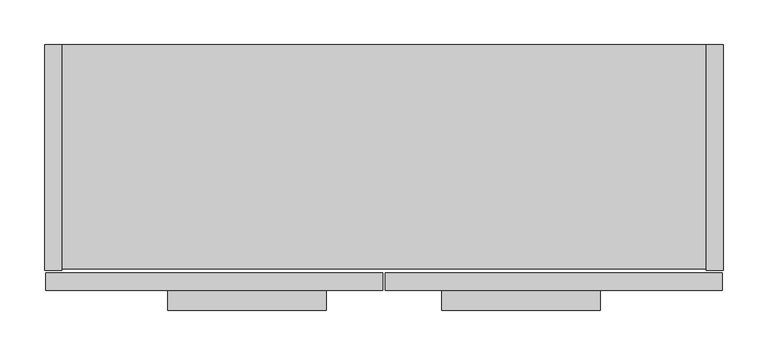
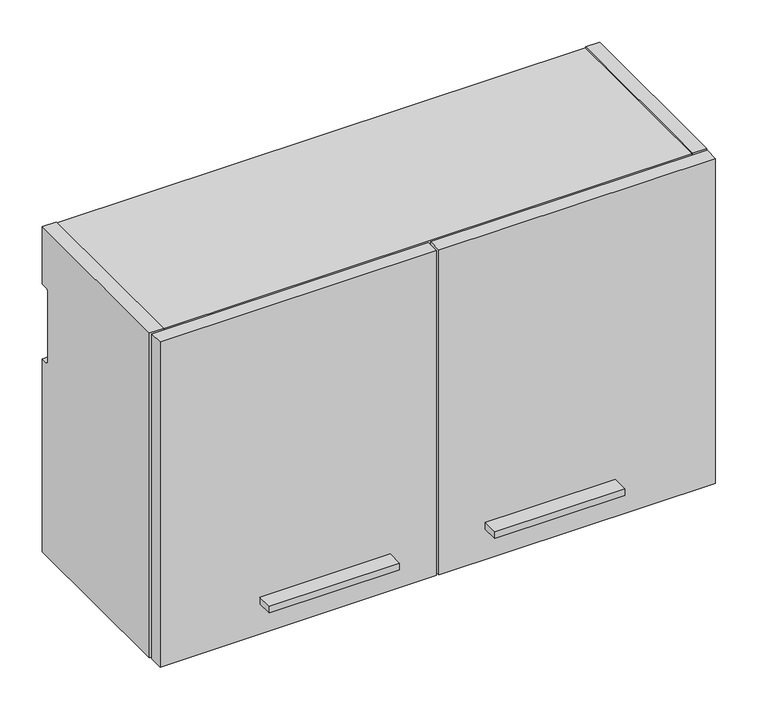
"""IFC4 building model written with IfcOpenShell, lengths in millimetres: furniture geometry."""

from ifc_helpers import new_model, si_unit, point, frame, frame_2d, origin, place, context, project, spatial, polyline, circle_curve, trimmed, segment, composite_curve, outline, extrude, source, transform, mapped, element, save


def furniture_2400eff6(model_context):
    return source(origin(), model_context, "Body", "SweptSolid", [
        extrude(outline(polyline([(623.8875, -298.45), (446.0875, -298.45), (446.0875, -276.225), (623.8875, -276.225), (623.8875, -298.45)])), frame((0.0, 0.0, 1440.8531), z_axis=(0.0, 0.0, 1.0), x_axis=(1.0, 0.0, 0.0)), (0.0, 0.0, 1.0), 9.525),
        extrude(outline(polyline([(315.9125, -298.45), (138.1125, -298.45), (138.1125, -276.225), (315.9125, -276.225), (315.9125, -298.45)])), frame((0.0, 0.0, 1440.8531), z_axis=(0.0, 0.0, 1.0), x_axis=(1.0, 0.0, 0.0)), (0.0, 0.0, 1.0), 9.525),
        extrude(outline(polyline([(760.4125, -276.225), (382.5875, -276.225), (382.5875, -256.921), (760.4125, -256.921), (760.4125, -276.225)])), frame((0.0, 0.0, 1397.0), z_axis=(0.0, 0.0, 1.0), x_axis=(1.0, 0.0, 0.0)), (0.0, 0.0, 1.0), 469.9),
        extrude(outline(polyline([(379.4125, -276.225), (1.5875, -276.225), (1.5875, -256.921), (379.4125, -256.921), (379.4125, -276.225)])), frame((0.0, 0.0, 1397.0), z_axis=(0.0, 0.0, 1.0), x_axis=(1.0, 0.0, 0.0)), (0.0, 0.0, 1.0), 469.9),
        extrude(outline(polyline([(762.0, -253.746), (742.696, -253.746), (742.696, 0.0), (762.0, 0.0), (762.0, -253.746)])), frame((0.0, 0.0, 1397.0), z_axis=(0.0, 0.0, 1.0), x_axis=(1.0, 0.0, 0.0)), (0.0, 0.0, 1.0), 469.9),
        extrude(outline(polyline([(742.696, -252.222), (19.304, -252.222), (19.304, -12.7), (742.696, -12.7), (742.696, -252.222)])), frame((0.0, 0.0, 1398.524), z_axis=(0.0, 0.0, 1.0), x_axis=(1.0, 0.0, 0.0)), (0.0, 0.0, 1.0), 19.304),
        extrude(outline(polyline([(742.696, -12.7), (742.696, -32.004), (19.304, -32.004), (19.304, -12.7), (742.696, -12.7)])), frame((0.0, 0.0, 1417.828), z_axis=(0.0, 0.0, 1.0), x_axis=(1.0, 0.0, 0.0)), (0.0, 0.0, 1.0), 429.768),
        extrude(outline(composite_curve([segment(polyline([(-253.746, 1397.0), (-253.746, 1866.9), (0.0, 1866.9), (0.0, 1783.842), (-9.5254487, 1783.842)]), True, "CONTINUOUS"), segment(trimmed(circle_curve(frame_2d((-9.5254487, 1780.6674487)), 3.1745513), [point((-9.5254487, 1783.842))], [point((-12.7, 1780.6674487))], True, "CARTESIAN"), True, "CONTINUOUS"), segment(polyline([(-12.7, 1780.6674487), (-12.7, 1679.067)]), True, "CONTINUOUS"), segment(trimmed(circle_curve(frame_2d((-9.525, 1679.067)), 3.175), [point((-12.7, 1679.067))], [point((-9.525, 1675.892))], True, "CARTESIAN"), True, "CONTINUOUS"), segment(polyline([(-9.525, 1675.892), (0.0, 1675.892), (0.0, 1397.0), (-253.746, 1397.0)]), True, "CONTINUOUS")], self_intersect=False)), frame((0.0, 0.0, 0.0), z_axis=(1.0, 0.0, 0.0), x_axis=(0.0, 1.0, 0.0)), (0.0, 0.0, 1.0), 19.304),
        extrude(outline(polyline([(742.696, -252.222), (19.304, -252.222), (19.304, 0.0), (742.696, 0.0), (742.696, -252.222)])), frame((0.0, 0.0, 1847.596), z_axis=(0.0, 0.0, 1.0), x_axis=(1.0, 0.0, 0.0)), (0.0, 0.0, 1.0), 17.78),
    ])


if __name__ == "__main__":
    model = new_model("IFC4")
    model_context = context("Model", 3, world=origin())
    ifc_project = project(units=[si_unit("LENGTHUNIT", "METRE", prefix="MILLI")], contexts=[model_context])
    site = spatial("IfcSite", under=ifc_project)
    building = spatial("IfcBuilding", under=site)
    placement = place(None, origin())
    furniture_shape = furniture_2400eff6(model_context)
    element("IfcFurniture", 1, at=placement, inside=building, context=model_context, shape_type="MappedRepresentation", body=[
        mapped(furniture_shape, transform((0.0, 0.0, 0.0), x_axis=(1.0, 0.0, 0.0), y_axis=(0.0, 1.0, 0.0), z_axis=(0.0, 0.0, 1.0))),
    ])
    save(model, "model.ifc")
